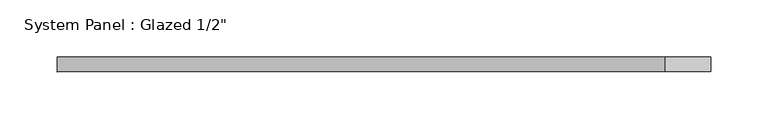
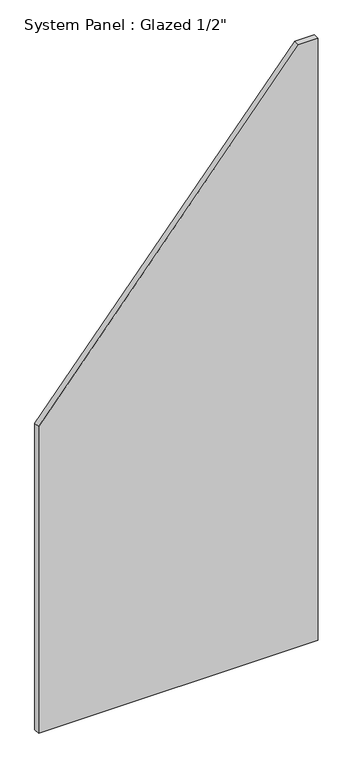
"""IFC4 building model written with IfcOpenShell, lengths in millimetres: plate geometry."""

from ifc_helpers import new_model, si_unit, frame, origin, place, context, project, spatial, polyline, outline, extrude, source, transform, mapped, element, save


def plate_c0a68f9e(model_context):
    return source(origin(), model_context, "Body", "SweptSolid", [
        extrude(outline(polyline([(0.0, -284.9706866), (0.0, 284.9706866), (1296.5067848, 284.9706866), (1296.5067848, 245.1824837), (659.3419716, -284.9706866), (0.0, -284.9706866)])), frame((0.0, -6.35, 0.0), z_axis=(0.0, 1.0, 0.0), x_axis=(0.0, 0.0, 1.0)), (0.0, 0.0, 1.0), 12.7),
    ])


if __name__ == "__main__":
    model = new_model("IFC4")
    model_context = context("Model", 3, world=origin())
    ifc_project = project(units=[si_unit("LENGTHUNIT", "METRE", prefix="MILLI")], contexts=[model_context])
    site = spatial("IfcSite", under=ifc_project)
    building = spatial("IfcBuilding", under=site)
    placement = place(None, origin())
    plate_shape = plate_c0a68f9e(model_context)
    element("IfcPlate", 1, ObjectType="System Panel : Glazed 1/2\"", at=placement, inside=building, context=model_context, shape_type="MappedRepresentation", body=[
        mapped(plate_shape, transform((0.0, 0.0, 0.0), x_axis=(1.0, 0.0, 0.0), y_axis=(0.0, 1.0, 0.0), z_axis=(0.0, 0.0, 1.0))),
    ])
    save(model, "model.ifc")
